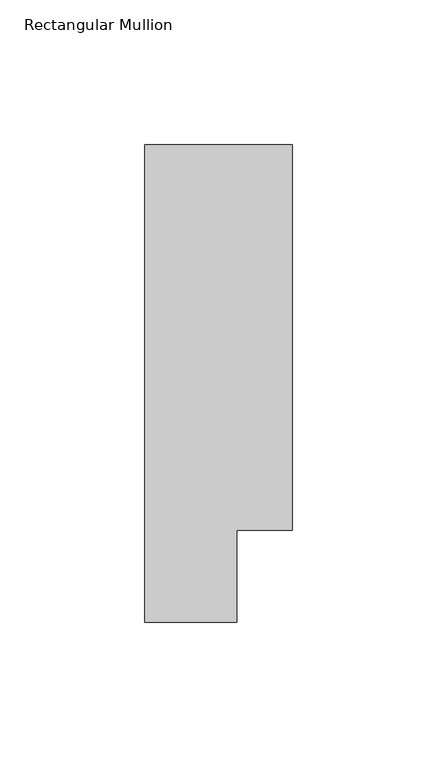
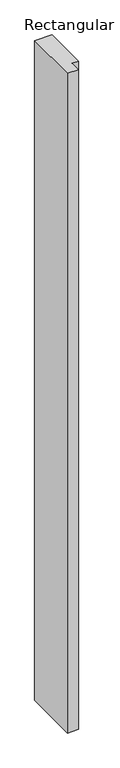
"""IFC4 building model written with IfcOpenShell, lengths in millimetres: member geometry, Rectangular Mullion."""

import ifcopenshell
import ifcopenshell.guid

model = None  # the IFC model being written
_history = None  # IfcOwnerHistory: only IFC2X3 demands one
_inside = {}  # id of a spatial element -> (the spatial element, [elements in it])
_under = {}  # id of a project, library or spatial element -> (it, [spatial elements below it])
_declared = {}  # id of a project -> (the project, [libraries it declares])
_typed = {}  # id of a type object -> (the type object, [elements of that type])
_made_of = {}  # id of a material, layer set ... -> (it, [elements and type objects made of it])


def new_model(schema):
    """Start an empty IFC model of exactly this schema.

    Asked for "IFC4X3", IfcOpenShell would pick the latest addendum, in which some entities
    have other attributes; the version numbers below select the first issue.
    IFC2X3 requires an IfcOwnerHistory on every rooted entity: one is made here for all.
    """
    global model, _history
    if schema == "IFC4X3":
        model = ifcopenshell.file(schema_version=(4, 3, 0, 0))
    else:
        model = ifcopenshell.file(schema=schema)
    _inside.clear()
    _under.clear()
    _declared.clear()
    _typed.clear()
    _made_of.clear()
    _history = None
    if model.schema == "IFC2X3":
        org = make("IfcOrganization", Name="unknown")
        user = make(
            "IfcPersonAndOrganization",
            ThePerson=make("IfcPerson", FamilyName="unknown"),
            TheOrganization=org,
        )
        app = make(
            "IfcApplication",
            ApplicationDeveloper=org,
            Version="unknown",
            ApplicationFullName="unknown",
            ApplicationIdentifier="unknown",
        )
        _history = make(
            "IfcOwnerHistory",
            OwningUser=user,
            OwningApplication=app,
            ChangeAction="ADDED",
            CreationDate=0,
        )
    return model


def make(cls, **values):
    """One entity of the class cls with the attributes given. An attribute that is None is left unset."""
    return model.create_entity(
        cls, **{name: value for name, value in values.items() if value is not None}
    )


def rooted(cls, **values):
    """An entity with a GlobalId (a new one), such as an element, a storey or a relation."""
    return make(cls, GlobalId=ifcopenshell.guid.new(), OwnerHistory=_history, **values)


def si_unit(unit_type, name, prefix=None):
    """IfcSIUnit, for example si_unit("LENGTHUNIT", "METRE", prefix="MILLI")."""
    return make("IfcSIUnit", UnitType=unit_type, Prefix=prefix, Name=name)


def assignment(units):
    """IfcUnitAssignment: the units of a project."""
    return None if units is None else make("IfcUnitAssignment", Units=units)


def point(xyz):
    """IfcCartesianPoint."""
    return None if xyz is None else make("IfcCartesianPoint", Coordinates=xyz)


def direction(xyz):
    """IfcDirection."""
    return None if xyz is None else make("IfcDirection", DirectionRatios=xyz)


def frame(location, z_axis=None, x_axis=None):
    """IfcAxis2Placement3D, a coordinate frame: its origin and axes. An axis left out is left unset."""
    return make(
        "IfcAxis2Placement3D",
        Location=point(location),
        Axis=direction(z_axis),
        RefDirection=direction(x_axis),
    )


def origin():
    """The frame at (0, 0, 0) with its axes left unset."""
    return frame((0.0, 0.0, 0.0))


def place(relative_to, where):
    """IfcLocalPlacement: puts the frame where relative to a parent placement (None: the world)."""
    return make(
        "IfcLocalPlacement", PlacementRelTo=relative_to, RelativePlacement=where
    )


def context(
    kind, dimensions, precision=None, world=None, true_north=None, identifier=None
):
    """IfcGeometricRepresentationContext, for example the 3D "Model" context."""
    return make(
        "IfcGeometricRepresentationContext",
        ContextIdentifier=identifier,
        ContextType=kind,
        CoordinateSpaceDimension=dimensions,
        Precision=precision,
        WorldCoordinateSystem=world,
        TrueNorth=true_north,
    )


def project(units=None, contexts=None):
    """IfcProject with its units and contexts."""
    return rooted(
        "IfcProject",
        Name="project",
        RepresentationContexts=contexts,
        UnitsInContext=assignment(units),
    )


def spatial(cls, under=None, at=None, **own):
    """A site, building, storey or space (cls), placed at a placement, below another one or the project."""
    s = rooted(cls, ObjectPlacement=at, **own)
    if under is not None:
        _under.setdefault(under.id(), (under, []))[1].append(s)
    return s


def polyline(points):
    """IfcPolyline through the points."""
    return make("IfcPolyline", Points=[point(p) for p in points])


def outline(outer, holes=None, kind="AREA"):
    """IfcArbitraryClosedProfileDef: a profile drawn as a closed curve; with holes, ...WithVoids."""
    if holes is None:
        return make("IfcArbitraryClosedProfileDef", ProfileType=kind, OuterCurve=outer)
    return make(
        "IfcArbitraryProfileDefWithVoids",
        ProfileType=kind,
        OuterCurve=outer,
        InnerCurves=holes,
    )


def extrude(swept, where, along, depth):
    """IfcExtrudedAreaSolid: the profile swept, set in the frame where, extruded along a direction by depth."""
    return make(
        "IfcExtrudedAreaSolid",
        SweptArea=swept,
        Position=where,
        ExtrudedDirection=direction(along),
        Depth=depth,
    )


def shape(context_of_items, identifier, shape_type, items):
    """IfcShapeRepresentation: the items that make up one representation, for example the "Body"."""
    return make(
        "IfcShapeRepresentation",
        ContextOfItems=context_of_items,
        RepresentationIdentifier=identifier,
        RepresentationType=shape_type,
        Items=items,
    )


def source(mapping_origin, context_of_items, identifier, shape_type, items):
    """IfcRepresentationMap: a shape defined once, which mapped items show again and again."""
    return make(
        "IfcRepresentationMap",
        MappingOrigin=mapping_origin,
        MappedRepresentation=shape(context_of_items, identifier, shape_type, items),
    )


def transform(
    local_origin,
    x_axis=None,
    y_axis=None,
    z_axis=None,
    scale=None,
    scale2=None,
    scale3=None,
    uniform=True,
):
    """IfcCartesianTransformationOperator3D, or its non-uniform kind. x_axis, y_axis, z_axis: its Axis1, 2, 3."""
    if uniform:
        return make(
            "IfcCartesianTransformationOperator3D",
            Axis1=direction(x_axis),
            Axis2=direction(y_axis),
            LocalOrigin=point(local_origin),
            Scale=scale,
            Axis3=direction(z_axis),
        )
    return make(
        "IfcCartesianTransformationOperator3DnonUniform",
        Axis1=direction(x_axis),
        Axis2=direction(y_axis),
        LocalOrigin=point(local_origin),
        Scale=scale,
        Axis3=direction(z_axis),
        Scale2=scale2,
        Scale3=scale3,
    )


def mapped(mapping_source, mapping_target):
    """IfcMappedItem: shows the shape of a source again, moved by a transform."""
    return make(
        "IfcMappedItem", MappingSource=mapping_source, MappingTarget=mapping_target
    )


def made_of(thing, what):
    """Note that an element or type object is made of a material, layer set ...; save() writes the relation."""
    if what is not None:
        _made_of.setdefault(what.id(), (what, []))[1].append(thing)
    return thing


def element(
    cls,
    number,
    at=None,
    inside=None,
    cuts=None,
    type_object=None,
    material=None,
    context=None,
    identifier="Body",
    shape_type=None,
    held_by="IfcProductDefinitionShape",
    body=None,
    shapes=None,
    **own,
):
    """One element of the class cls, such as IfcWall. Its Tag is "e" and its number.

    at: its placement. inside: the storey or other place that contains it. cuts: it is an
    opening in that element (IfcRelVoidsElement). A single representation is given by context,
    identifier, shape_type and body (its items); several are given by shapes. held_by: the class
    of the entity that holds the representations. save() writes the other relations.
    """
    e = rooted(cls, Tag="e%d" % number, ObjectPlacement=at, **own)
    if body is not None:
        shapes = [shape(context, identifier, shape_type, body)]
    if shapes is not None:
        e.Representation = make(held_by, Representations=shapes)
    if inside is not None:
        _inside.setdefault(inside.id(), (inside, []))[1].append(e)
    if cuts is not None:
        rooted(
            "IfcRelVoidsElement", RelatingBuildingElement=cuts, RelatedOpeningElement=e
        )
    if type_object is not None:
        _typed.setdefault(type_object.id(), (type_object, []))[1].append(e)
    return made_of(e, material)


def aggregate(whole, parts):
    """IfcRelAggregates: a whole, such as a stair, and the parts it consists of."""
    return rooted("IfcRelAggregates", RelatingObject=whole, RelatedObjects=parts)


def save(model, path):
    """Write the relations noted so far, then the file.

    IfcRelAggregates (storeys below a building ...), IfcRelContainedInSpatialStructure (elements
    in a storey), IfcRelDefinesByType, IfcRelAssociatesMaterial and IfcRelDeclares: one each for
    every whole, place, type object, material and project.
    """
    for whole, parts in _under.values():
        aggregate(whole, parts)
    for where, things in _inside.values():
        rooted(
            "IfcRelContainedInSpatialStructure",
            RelatedElements=things,
            RelatingStructure=where,
        )
    for kind, things in _typed.values():
        rooted("IfcRelDefinesByType", RelatedObjects=things, RelatingType=kind)
    for what, things in _made_of.values():
        rooted("IfcRelAssociatesMaterial", RelatedObjects=things, RelatingMaterial=what)
    for by, libraries in _declared.values():
        rooted("IfcRelDeclares", RelatingContext=by, RelatedDefinitions=libraries)
    model.write(path)


def rectangular_mullion_9c8005c9(model_context):
    return source(origin(), model_context, "Body", "SweptSolid", [
        extrude(outline(polyline([(-25.4, 184.2396938), (25.4, 184.2396938), (25.4, 51.2960938), (6.35, 51.2960937), (6.35, 19.5460938), (-25.4, 19.5460938), (-25.4, 184.2396938)])), frame((0.0, 0.0, -2019.3), z_axis=(0.0, 0.0, 1.0), x_axis=(1.0, 0.0, 0.0)), (0.0, 0.0, 1.0), 2019.3),
    ])


if __name__ == "__main__":
    model = new_model("IFC4")
    model_context = context("Model", 3, world=origin())
    ifc_project = project(units=[si_unit("LENGTHUNIT", "METRE", prefix="MILLI")], contexts=[model_context])
    site = spatial("IfcSite", under=ifc_project)
    building = spatial("IfcBuilding", under=site)
    placement = place(None, origin())
    rectangular_mullion_shape = rectangular_mullion_9c8005c9(model_context)
    element("IfcMember", 1, ObjectType="Rectangular Mullion", at=placement, inside=building, context=model_context, shape_type="MappedRepresentation", body=[
        mapped(rectangular_mullion_shape, transform((0.0, 0.0, 0.0), x_axis=(1.0, 0.0, 0.0), y_axis=(0.0, 1.0, 0.0), z_axis=(0.0, 0.0, 1.0))),
    ])
    save(model, "model.ifc")
